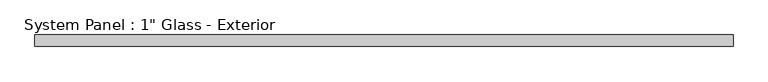
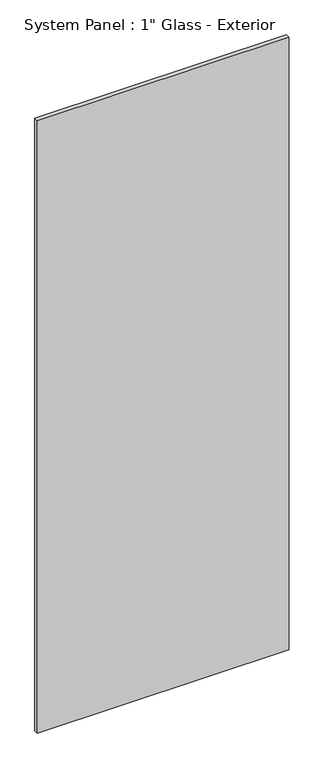
"""IFC4 building model written with IfcOpenShell, lengths in millimetres: plate geometry."""

from ifc_helpers import new_model, si_unit, origin, origin_with_axes, place, context, project, spatial, polyline, outline, extrude, source, transform, mapped, element, save


def plate_94adba69(model_context):
    return source(origin(), model_context, "Body", "SweptSolid", [
        extrude(outline(polyline([(770.6795043, 0.0), (-770.6795043, 0.0), (-770.6795043, 25.4), (770.6795043, 25.4), (770.6795043, 0.0)])), origin_with_axes(), (0.0, 0.0, 1.0), 3962.4),
    ])


if __name__ == "__main__":
    model = new_model("IFC4")
    model_context = context("Model", 3, world=origin())
    ifc_project = project(units=[si_unit("LENGTHUNIT", "METRE", prefix="MILLI")], contexts=[model_context])
    site = spatial("IfcSite", under=ifc_project)
    building = spatial("IfcBuilding", under=site)
    placement = place(None, origin())
    plate_shape = plate_94adba69(model_context)
    element("IfcPlate", 1, ObjectType="System Panel : 1\" Glass - Exterior", at=placement, inside=building, context=model_context, shape_type="MappedRepresentation", body=[
        mapped(plate_shape, transform((0.0, 0.0, 0.0), x_axis=(1.0, 0.0, 0.0), y_axis=(0.0, 1.0, 0.0), z_axis=(0.0, 0.0, 1.0))),
    ])
    save(model, "model.ifc")
